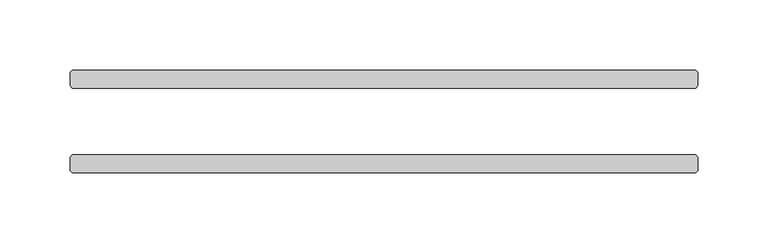
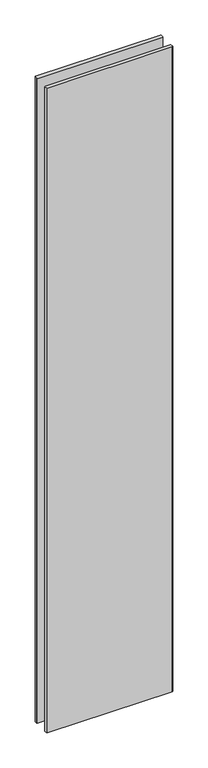
"""IFC4 building model written with IfcOpenShell, lengths in millimetres: plate geometry."""

from ifc_helpers import new_model, si_unit, origin, origin_with_axes, place, context, project, spatial, polyline, outline, extrude, source, transform, mapped, element, save


def plate_dd6a8c85(model_context):
    return source(origin(), model_context, "Body", "SweptSolid", [
        extrude(outline(polyline([(221.853125, 23.8125), (-221.853125, 23.8125), (-223.440625, 25.4), (-223.440625, 34.925), (-221.853125, 36.5125), (221.853125, 36.5125), (223.440625, 34.925), (223.440625, 25.4), (221.853125, 23.8125)])), origin_with_axes(), (0.0, 0.0, 1.0), 2417.7625023),
        extrude(outline(polyline([(221.853125, -36.5125), (-221.853125, -36.5125), (-223.440625, -34.925), (-223.440625, -25.4), (-221.853125, -23.8125), (221.853125, -23.8125), (223.440625, -25.4), (223.440625, -34.925), (221.853125, -36.5125)])), origin_with_axes(), (0.0, 0.0, 1.0), 2417.7625023),
    ])


if __name__ == "__main__":
    model = new_model("IFC4")
    model_context = context("Model", 3, world=origin())
    ifc_project = project(units=[si_unit("LENGTHUNIT", "METRE", prefix="MILLI")], contexts=[model_context])
    site = spatial("IfcSite", under=ifc_project)
    building = spatial("IfcBuilding", under=site)
    placement = place(None, origin())
    plate_shape = plate_dd6a8c85(model_context)
    element("IfcPlate", 1, at=placement, inside=building, context=model_context, shape_type="MappedRepresentation", body=[
        mapped(plate_shape, transform((0.0, 0.0, 0.0), x_axis=(1.0, 0.0, 0.0), y_axis=(0.0, 1.0, 0.0), z_axis=(0.0, 0.0, 1.0))),
    ])
    save(model, "model.ifc")
